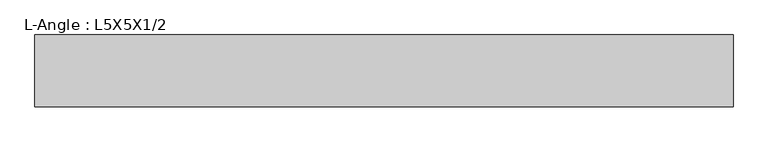
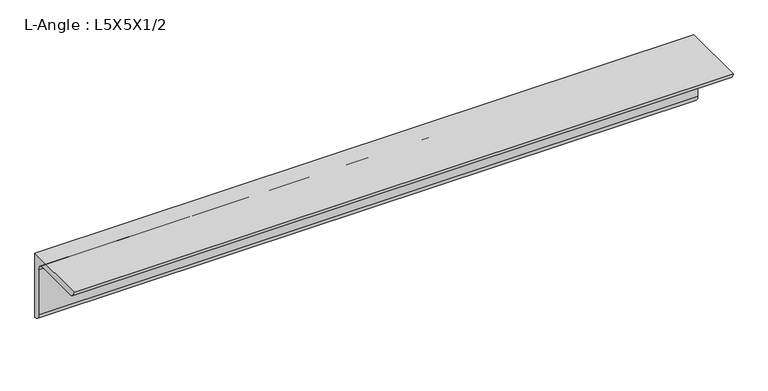
"""IFC4 building model written with IfcOpenShell, lengths in millimetres: beam geometry, L-Angle : L5X5X1/2."""

from ifc_helpers import new_model, si_unit, point, frame, frame_2d, origin, place, context, project, spatial, polyline, circle_curve, trimmed, segment, composite_curve, outline, extrude, source, transform, mapped, element, save


def l_angle_l5x5x1_2_fb9be942(model_context):
    return source(origin(), model_context, "Body", "SweptSolid", [
        extrude(outline(composite_curve([segment(polyline([(36.068, 36.068), (36.068, -90.932)]), True, "CONTINUOUS"), segment(trimmed(circle_curve(frame_2d((36.068, -78.232)), 12.7), [point((36.068, -90.932))], [point((23.368, -78.232))], False, "CARTESIAN"), True, "CONTINUOUS"), segment(polyline([(23.368, -78.232), (23.368, 10.668)]), True, "CONTINUOUS"), segment(trimmed(circle_curve(frame_2d((10.668, 10.668)), 12.7), [point((23.368, 10.668))], [point((10.668, 23.368))], True, "CARTESIAN"), True, "CONTINUOUS"), segment(polyline([(10.668, 23.368), (-78.232, 23.368)]), True, "CONTINUOUS"), segment(trimmed(circle_curve(frame_2d((-78.232, 36.068)), 12.7), [point((-78.232, 23.368))], [point((-90.932, 36.068))], False, "CARTESIAN"), True, "CONTINUOUS"), segment(polyline([(-90.932, 36.068), (36.068, 36.068)]), True, "CONTINUOUS")], self_intersect=False)), frame((-563.6812619, 0.0, 0.0), z_axis=(1.0, 0.0, 0.0), x_axis=(0.0, 1.0, 0.0)), (0.0, 0.0, 1.0), 1236.1735327),
    ])


if __name__ == "__main__":
    model = new_model("IFC4")
    model_context = context("Model", 3, world=origin())
    ifc_project = project(units=[si_unit("LENGTHUNIT", "METRE", prefix="MILLI")], contexts=[model_context])
    site = spatial("IfcSite", under=ifc_project)
    building = spatial("IfcBuilding", under=site)
    placement = place(None, origin())
    l_angle_l5x5x1_2_shape = l_angle_l5x5x1_2_fb9be942(model_context)
    element("IfcBeam", 1, ObjectType="L-Angle : L5X5X1/2", at=placement, inside=building, context=model_context, shape_type="MappedRepresentation", body=[
        mapped(l_angle_l5x5x1_2_shape, transform((0.0, 0.0, 0.0), x_axis=(1.0, 0.0, 0.0), y_axis=(0.0, 1.0, 0.0), z_axis=(0.0, 0.0, 1.0))),
    ])
    save(model, "model.ifc")
